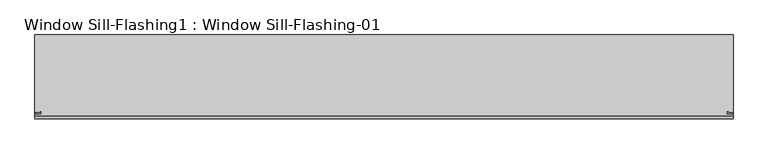
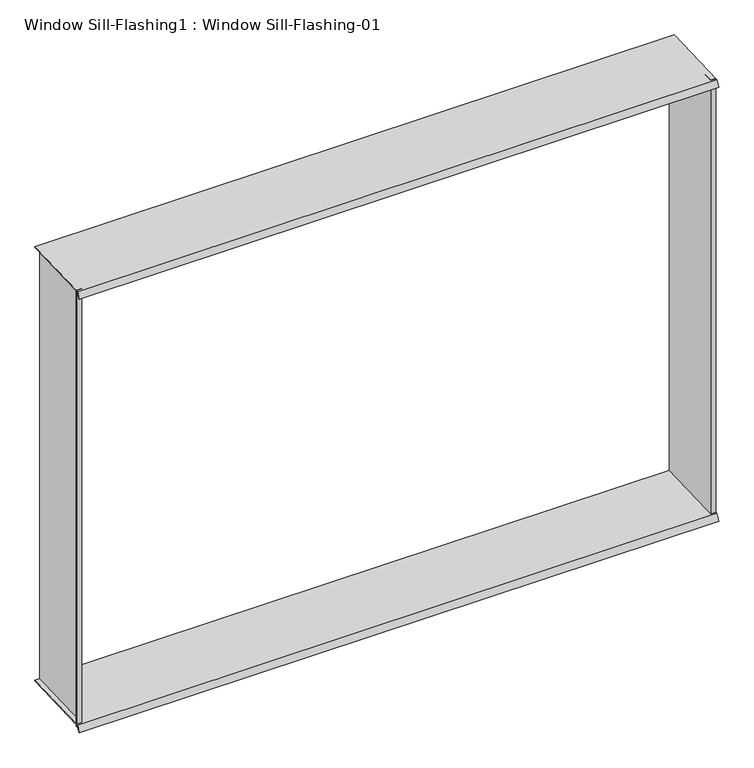
"""IFC4 building model written with IfcOpenShell, lengths in millimetres: proxy geometry, Window Sill-Flashing1 : Window Sill-Flashing-01."""

from ifc_helpers import new_model, si_unit, frame, origin, place, context, project, spatial, polyline, outline, extrude, source, transform, mapped, element, save


def window_sill_flashing1_window_sill_flashing_01_b9361f2c(model_context):
    return source(origin(), model_context, "Body", "SweptSolid", [
        extrude(outline(polyline([(-8904.1749894, -579.0), (-8902.1749894, -579.0), (-8902.1749894, -858.0), (-8922.1749894, -858.0), (-8922.1749894, -856.0), (-8904.1749894, -856.0), (-8904.1749894, -579.0)])), frame((0.0, 0.0, 3900.0), z_axis=(0.0, 0.0, 1.0), x_axis=(1.0, 0.0, 0.0)), (0.0, 0.0, 1.0), 1785.0),
        extrude(outline(polyline([(-6464.1749894, -579.0), (-6464.1749894, -856.0), (-6446.1749894, -856.0), (-6446.1749894, -858.0), (-6466.1749894, -858.0), (-6466.1749894, -579.0), (-6464.1749894, -579.0)])), frame((0.0, 0.0, 3900.0), z_axis=(0.0, 0.0, 1.0), x_axis=(1.0, 0.0, 0.0)), (0.0, 0.0, 1.0), 1785.0),
        extrude(outline(polyline([(-865.0, 3910.0), (-579.0, 3920.0), (-579.0, 3917.9987778), (-863.7425599, 3908.0427443), (-875.2111456, 3885.1055728), (-877.0, 3886.0), (-865.0, 3910.0)])), frame((-8923.1749894, 0.0, 0.0), z_axis=(1.0, 0.0, 0.0), x_axis=(0.0, 1.0, 0.0)), (0.0, 0.0, 1.0), 2477.0),
        extrude(outline(polyline([(-865.0, 5685.0), (-579.0, 5695.0), (-579.0, 5692.9987778), (-863.7425599, 5683.0427443), (-875.2111456, 5660.1055728), (-877.0, 5661.0), (-865.0, 5685.0)])), frame((-8923.1749894, 0.0, 0.0), z_axis=(1.0, 0.0, 0.0), x_axis=(0.0, 1.0, 0.0)), (0.0, 0.0, 1.0), 2477.0),
    ])


if __name__ == "__main__":
    model = new_model("IFC4")
    model_context = context("Model", 3, world=origin())
    ifc_project = project(units=[si_unit("LENGTHUNIT", "METRE", prefix="MILLI")], contexts=[model_context])
    site = spatial("IfcSite", under=ifc_project)
    building = spatial("IfcBuilding", under=site)
    placement = place(None, origin())
    window_sill_flashing1_window_sill_flashing_01_shape = window_sill_flashing1_window_sill_flashing_01_b9361f2c(model_context)
    element("IfcBuildingElementProxy", 1, Name="Window Sill-Flashing1 : Window Sill-Flashing-01", ObjectType="Window Sill-Flashing1 : Window Sill-Flashing-01", at=placement, inside=building, context=model_context, shape_type="MappedRepresentation", body=[
        mapped(window_sill_flashing1_window_sill_flashing_01_shape, transform((0.0, 0.0, 0.0), x_axis=(1.0, 0.0, 0.0), y_axis=(0.0, 1.0, 0.0), z_axis=(0.0, 0.0, 1.0))),
    ])
    save(model, "model.ifc")
